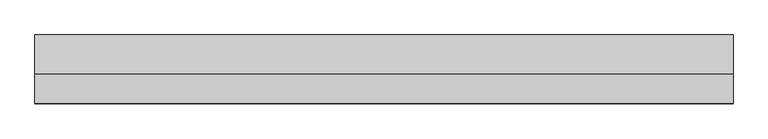
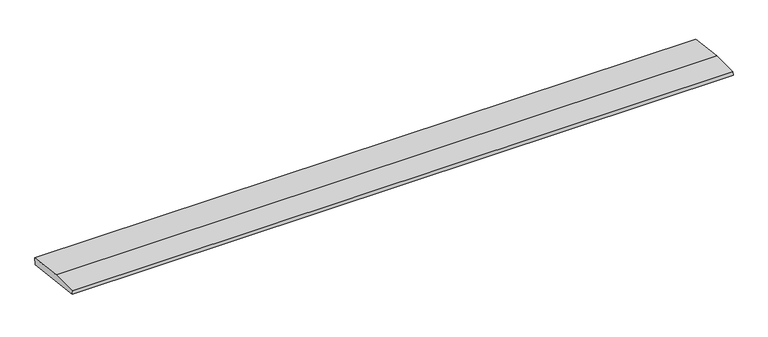
"""IFC4 building model written with IfcOpenShell, lengths in millimetres: beam geometry."""

from ifc_helpers import new_model, si_unit, frame, origin, place, context, project, spatial, polyline, outline, extrude, source, transform, mapped, element, save


def beam_da656821(model_context):
    return source(origin(), model_context, "Body", "SweptSolid", [
        extrude(outline(polyline([(0.0, -9.143159), (1.1226388, 0.0), (79.0749747, 0.0), (180.9387048, -12.5072934), (178.6231873, -31.3656703), (0.0, -9.143159)])), frame((-919.0026911, 0.0, 0.0), z_axis=(1.0, 0.0, 0.0), x_axis=(0.0, 1.0, 0.0)), (0.0, 0.0, 1.0), 1838.0053822),
    ])


if __name__ == "__main__":
    model = new_model("IFC4")
    model_context = context("Model", 3, world=origin())
    ifc_project = project(units=[si_unit("LENGTHUNIT", "METRE", prefix="MILLI")], contexts=[model_context])
    site = spatial("IfcSite", under=ifc_project)
    building = spatial("IfcBuilding", under=site)
    placement = place(None, origin())
    beam_shape = beam_da656821(model_context)
    element("IfcBeam", 1, at=placement, inside=building, context=model_context, shape_type="MappedRepresentation", body=[
        mapped(beam_shape, transform((0.0, 0.0, 0.0), x_axis=(1.0, 0.0, 0.0), y_axis=(0.0, 1.0, 0.0), z_axis=(0.0, 0.0, 1.0))),
    ])
    save(model, "model.ifc")
